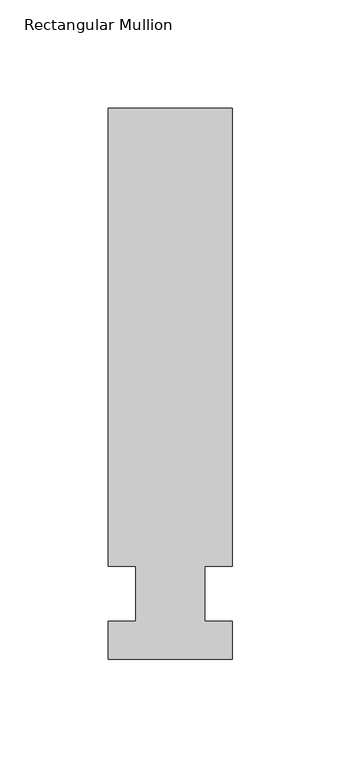
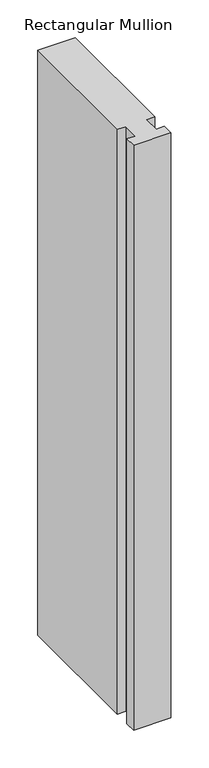
"""IFC4 building model written with IfcOpenShell, lengths in millimetres: member geometry, Rectangular Mullion."""

from ifc_helpers import new_model, si_unit, frame, origin, place, context, project, spatial, polyline, outline, extrude, source, transform, mapped, element, save


def rectangular_mullion_ed15c5e9(model_context):
    return source(origin(), model_context, "Body", "SweptSolid", [
        extrude(outline(polyline([(28.575, 223.8375), (28.575, 12.7), (15.8732296, 12.7), (15.8732296, -12.7), (28.575, -12.7), (28.575, -30.1625), (-28.575, -30.1625), (-28.575, -12.7), (-15.875, -12.7), (-15.875, 12.7), (-28.575, 12.7), (-28.575, 223.8375), (28.575, 223.8375)])), frame((0.0, 0.0, -946.15), z_axis=(0.0, 0.0, 1.0), x_axis=(1.0, 0.0, 0.0)), (0.0, 0.0, 1.0), 946.15),
    ])


if __name__ == "__main__":
    model = new_model("IFC4")
    model_context = context("Model", 3, world=origin())
    ifc_project = project(units=[si_unit("LENGTHUNIT", "METRE", prefix="MILLI")], contexts=[model_context])
    site = spatial("IfcSite", under=ifc_project)
    building = spatial("IfcBuilding", under=site)
    placement = place(None, origin())
    rectangular_mullion_shape = rectangular_mullion_ed15c5e9(model_context)
    element("IfcMember", 1, ObjectType="Rectangular Mullion", at=placement, inside=building, context=model_context, shape_type="MappedRepresentation", body=[
        mapped(rectangular_mullion_shape, transform((0.0, 0.0, 0.0), x_axis=(1.0, 0.0, 0.0), y_axis=(0.0, 1.0, 0.0), z_axis=(0.0, 0.0, 1.0))),
    ])
    save(model, "model.ifc")
